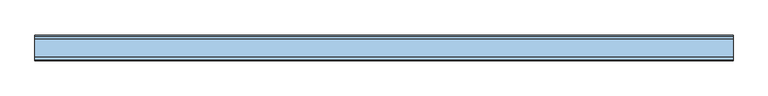
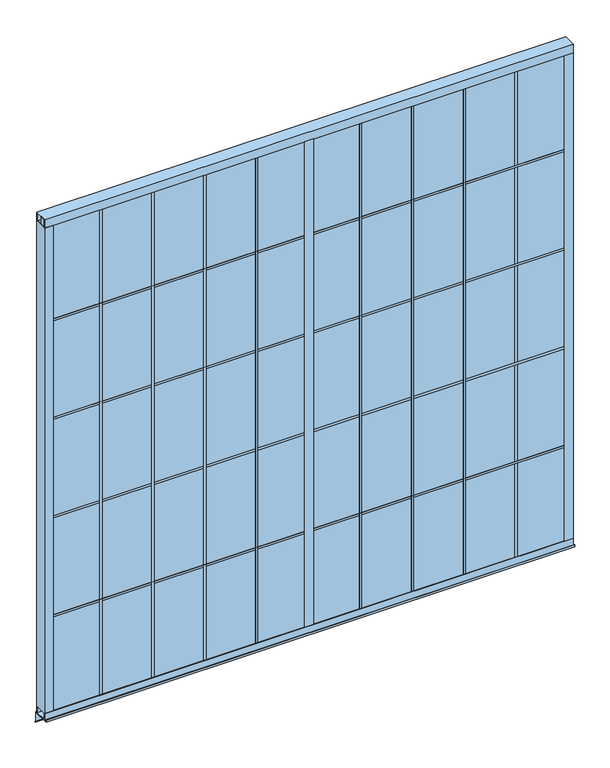
"""IFC4 building model written with IfcOpenShell, lengths in millimetres: window geometry."""

from ifc_helpers import new_model, si_unit, frame, origin, place, context, project, spatial, polyline, outline, extrude, source, transform, mapped, element, save


def window_01a11980(model_context):
    return source(origin(), model_context, "Body", "SweptSolid", [
        extrude(outline(polyline([(334.01, -6.35), (321.31, -6.35), (321.31, 63.5), (334.01, 63.5), (334.01, -6.35)])), frame((0.0, 0.0, 15.875), z_axis=(0.0, 0.0, 1.0), x_axis=(1.0, 0.0, 0.0)), (0.0, 0.0, 1.0), 3003.55),
        extrude(outline(polyline([(633.095, -6.35), (620.395, -6.35), (620.395, 63.5), (633.095, 63.5), (633.095, -6.35)])), frame((0.0, 0.0, 15.875), z_axis=(0.0, 0.0, 1.0), x_axis=(1.0, 0.0, 0.0)), (0.0, 0.0, 1.0), 3003.55),
        extrude(outline(polyline([(932.18, -6.35), (919.48, -6.35), (919.48, 63.5), (932.18, 63.5), (932.18, -6.35)])), frame((0.0, 0.0, 15.875), z_axis=(0.0, 0.0, 1.0), x_axis=(1.0, 0.0, 0.0)), (0.0, 0.0, 1.0), 3003.55),
        extrude(outline(polyline([(1231.265, -6.35), (1218.565, -6.35), (1218.565, 63.5), (1231.265, 63.5), (1231.265, -6.35)])), frame((0.0, 0.0, 15.875), z_axis=(0.0, 0.0, 1.0), x_axis=(1.0, 0.0, 0.0)), (0.0, 0.0, 1.0), 3003.55),
        extrude(outline(polyline([(1530.35, -6.35), (1517.65, -6.35), (1517.65, 63.5), (1530.35, 63.5), (1530.35, -6.35)])), frame((0.0, 0.0, 15.875), z_axis=(0.0, 0.0, 1.0), x_axis=(1.0, 0.0, 0.0)), (0.0, 0.0, 1.0), 3003.55),
        extrude(outline(polyline([(1829.435, -6.35), (1816.735, -6.35), (1816.735, 63.5), (1829.435, 63.5), (1829.435, -6.35)])), frame((0.0, 0.0, 15.875), z_axis=(0.0, 0.0, 1.0), x_axis=(1.0, 0.0, 0.0)), (0.0, 0.0, 1.0), 3003.55),
        extrude(outline(polyline([(2128.52, -6.35), (2115.82, -6.35), (2115.82, 63.5), (2128.52, 63.5), (2128.52, -6.35)])), frame((0.0, 0.0, 15.875), z_axis=(0.0, 0.0, 1.0), x_axis=(1.0, 0.0, 0.0)), (0.0, 0.0, 1.0), 3003.55),
        extrude(outline(polyline([(2427.605, -6.35), (2414.905, -6.35), (2414.905, 63.5), (2427.605, 63.5), (2427.605, -6.35)])), frame((0.0, 0.0, 15.875), z_axis=(0.0, 0.0, 1.0), x_axis=(1.0, 0.0, 0.0)), (0.0, 0.0, 1.0), 3003.55),
        extrude(outline(polyline([(28.575, -6.35), (28.575, 63.5), (3018.63125, 63.5), (3018.63125, -6.35), (28.575, -6.35)])), frame((0.0, 0.0, 2412.365), z_axis=(0.0, 0.0, 1.0), x_axis=(1.0, 0.0, 0.0)), (0.0, 0.0, 1.0), 12.7),
        extrude(outline(polyline([(28.575, -6.35), (28.575, 63.5), (3018.63125, 63.5), (3018.63125, -6.35), (28.575, -6.35)])), frame((0.0, 0.0, 1811.655), z_axis=(0.0, 0.0, 1.0), x_axis=(1.0, 0.0, 0.0)), (0.0, 0.0, 1.0), 12.7),
        extrude(outline(polyline([(28.575, -6.35), (28.575, 63.5), (3018.63125, 63.5), (3018.63125, -6.35), (28.575, -6.35)])), frame((0.0, 0.0, 1210.945), z_axis=(0.0, 0.0, 1.0), x_axis=(1.0, 0.0, 0.0)), (0.0, 0.0, 1.0), 12.7),
        extrude(outline(polyline([(28.575, -6.35), (28.575, 63.5), (3018.63125, 63.5), (3018.63125, -6.35), (28.575, -6.35)])), frame((0.0, 0.0, 610.235), z_axis=(0.0, 0.0, 1.0), x_axis=(1.0, 0.0, 0.0)), (0.0, 0.0, 1.0), 12.7),
        extrude(outline(polyline([(28.575, -6.35), (28.575, 63.5), (3018.63125, 63.5), (3018.63125, -6.35), (28.575, -6.35)])), frame((0.0, 0.0, 3013.075), z_axis=(0.0, 0.0, 1.0), x_axis=(1.0, 0.0, 0.0)), (0.0, 0.0, 1.0), 12.7),
        extrude(outline(polyline([(28.575, -6.35), (28.575, 63.5), (3018.63125, 63.5), (3018.63125, -6.35), (28.575, -6.35)])), frame((0.0, 0.0, 9.525), z_axis=(0.0, 0.0, 1.0), x_axis=(1.0, 0.0, 0.0)), (0.0, 0.0, 1.0), 12.7),
        extrude(outline(polyline([(1498.6, -9.525), (1498.6, 66.675), (1549.4, 66.675), (1549.4, -9.525), (1498.6, -9.525)])), frame((0.0, 0.0, 41.275), z_axis=(0.0, 0.0, 1.0), x_axis=(1.0, 0.0, 0.0)), (0.0, 0.0, 1.0), 2955.925),
        extrude(outline(polyline([(2726.69, -6.35), (2713.99, -6.35), (2713.99, 63.5), (2726.69, 63.5), (2726.69, -6.35)])), frame((0.0, 0.0, 15.875), z_axis=(0.0, 0.0, 1.0), x_axis=(1.0, 0.0, 0.0)), (0.0, 0.0, 1.0), 3003.55),
        extrude(outline(polyline([(34.925, -6.35), (22.225, -6.35), (22.225, 63.5), (34.925, 63.5), (34.925, -6.35)])), frame((0.0, 0.0, 15.875), z_axis=(0.0, 0.0, 1.0), x_axis=(1.0, 0.0, 0.0)), (0.0, 0.0, 1.0), 3003.55),
        extrude(outline(polyline([(28.575, 63.5), (3019.425, 63.5), (3019.425, -6.35), (28.575, -6.35), (28.575, 63.5)])), frame((0.0, 0.0, 15.875), z_axis=(0.0, 0.0, 1.0), x_axis=(1.0, 0.0, 0.0)), (0.0, 0.0, 1.0), 3003.55),
        extrude(outline(polyline([(3025.775, -6.35), (3013.075, -6.35), (3013.075, 63.5), (3025.775, 63.5), (3025.775, -6.35)])), frame((0.0, 0.0, 15.875), z_axis=(0.0, 0.0, 1.0), x_axis=(1.0, 0.0, 0.0)), (0.0, 0.0, 1.0), 3003.55),
        extrude(outline(polyline([(-9.525, 3048.0), (66.675, 3048.0), (66.675, 2997.2), (63.5, 2997.2), (63.5, 3044.825), (-6.35, 3044.825), (-6.35, 2997.2), (-9.525, 2997.2), (-9.525, 3048.0)])), frame((0.0, 0.0, 0.0), z_axis=(1.0, 0.0, 0.0), x_axis=(0.0, 1.0, 0.0)), (0.0, 0.0, 1.0), 3048.0),
        extrude(outline(polyline([(0.0, 66.675), (50.8, 66.675), (50.8, 63.5), (3.175, 63.5), (3.175, -6.35), (50.8, -6.35), (50.8, -9.525), (0.0, -9.525), (0.0, 66.675)])), frame((0.0, 0.0, 41.275), z_axis=(0.0, 0.0, 1.0), x_axis=(1.0, 0.0, 0.0)), (0.0, 0.0, 1.0), 2955.925),
        extrude(outline(polyline([(3048.0, 66.675), (3048.0, -9.525), (2997.2, -9.525), (2997.2, -6.35), (3044.825, -6.35), (3044.825, 63.5), (2997.2, 63.5), (2997.2, 66.675), (3048.0, 66.675)])), frame((0.0, 0.0, 41.275), z_axis=(0.0, 0.0, 1.0), x_axis=(1.0, 0.0, 0.0)), (0.0, 0.0, 1.0), 2955.925),
        extrude(outline(polyline([(-9.525, 0.0), (-9.525, 41.275), (-6.35, 41.275), (-6.35, 3.175), (63.5, 3.175), (63.5, 41.275), (66.675, 41.275), (66.675, 0.0), (-9.525, 0.0)])), frame((0.0, 0.0, 0.0), z_axis=(1.0, 0.0, 0.0), x_axis=(0.0, 1.0, 0.0)), (0.0, 0.0, 1.0), 3048.0),
        extrude(outline(polyline([(86.3027881, -67.139968), (85.1802561, -68.2625), (76.2, -59.2822439), (76.2, -1.5875), (-25.4, -1.5875), (-25.4, 11.1125), (-23.8125, 11.1125), (-23.8125, 0.0), (77.7875, 0.0), (77.7875, -58.6246798), (86.3027881, -67.139968)])), frame((0.0, 0.0, 0.0), z_axis=(1.0, 0.0, 0.0), x_axis=(0.0, 1.0, 0.0)), (0.0, 0.0, 1.0), 3048.0),
    ])


if __name__ == "__main__":
    model = new_model("IFC4")
    model_context = context("Model", 3, world=origin())
    ifc_project = project(units=[si_unit("LENGTHUNIT", "METRE", prefix="MILLI")], contexts=[model_context])
    site = spatial("IfcSite", under=ifc_project)
    building = spatial("IfcBuilding", under=site)
    placement = place(None, origin())
    window_shape = window_01a11980(model_context)
    element("IfcWindow", 1, at=placement, inside=building, context=model_context, shape_type="MappedRepresentation", body=[
        mapped(window_shape, transform((0.0, 0.0, 0.0), x_axis=(1.0, 0.0, 0.0), y_axis=(0.0, 1.0, 0.0), z_axis=(0.0, 0.0, 1.0))),
    ])
    save(model, "model.ifc")
